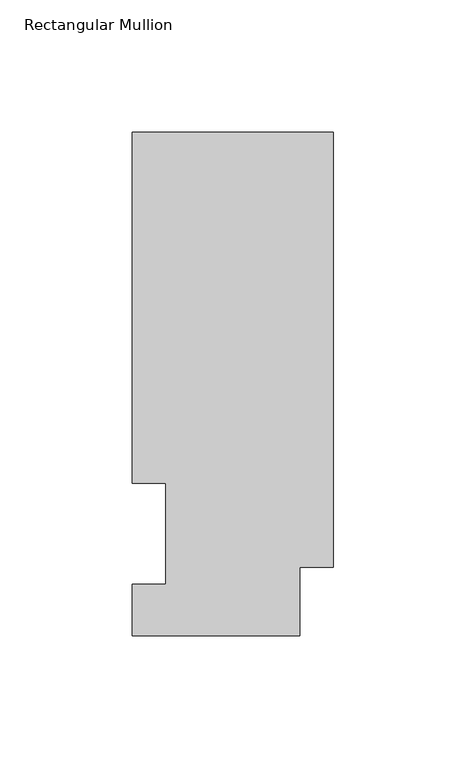
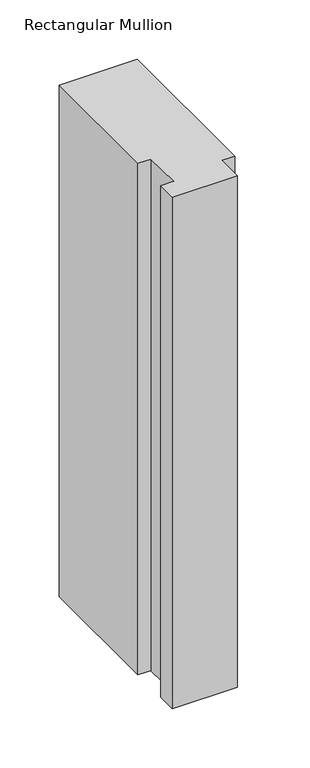
"""IFC4 building model written with IfcOpenShell, lengths in millimetres: member geometry, Rectangular Mullion."""

from ifc_helpers import new_model, si_unit, frame, origin, place, context, project, spatial, polyline, outline, extrude, source, transform, mapped, element, save


def rectangular_mullion_2c8fe463(model_context):
    return source(origin(), model_context, "Body", "SweptSolid", [
        extrude(outline(polyline([(0.0, 190.5896937), (0.0, 25.8960937), (-12.7, 25.8960937), (-12.7, 0.0134937), (-76.2, 0.0134937), (-76.2, 19.5460937), (-63.5127, 19.5460937), (-63.5127, 57.6460937), (-76.2, 57.6460937), (-76.2, 190.5896937), (0.0, 190.5896937)])), frame((0.0, 0.0, -527.1259305), z_axis=(0.0, 0.0, 1.0), x_axis=(1.0, 0.0, 0.0)), (0.0, 0.0, 1.0), 527.1259305),
    ])


if __name__ == "__main__":
    model = new_model("IFC4")
    model_context = context("Model", 3, world=origin())
    ifc_project = project(units=[si_unit("LENGTHUNIT", "METRE", prefix="MILLI")], contexts=[model_context])
    site = spatial("IfcSite", under=ifc_project)
    building = spatial("IfcBuilding", under=site)
    placement = place(None, origin())
    rectangular_mullion_shape = rectangular_mullion_2c8fe463(model_context)
    element("IfcMember", 1, ObjectType="Rectangular Mullion", at=placement, inside=building, context=model_context, shape_type="MappedRepresentation", body=[
        mapped(rectangular_mullion_shape, transform((0.0, 0.0, 0.0), x_axis=(1.0, 0.0, 0.0), y_axis=(0.0, 1.0, 0.0), z_axis=(0.0, 0.0, 1.0))),
    ])
    save(model, "model.ifc")
